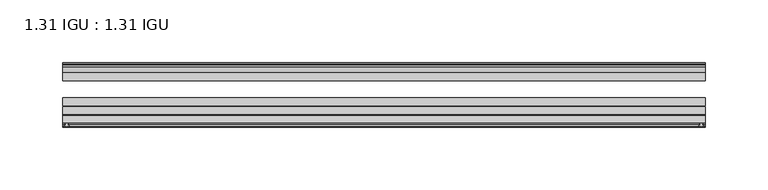
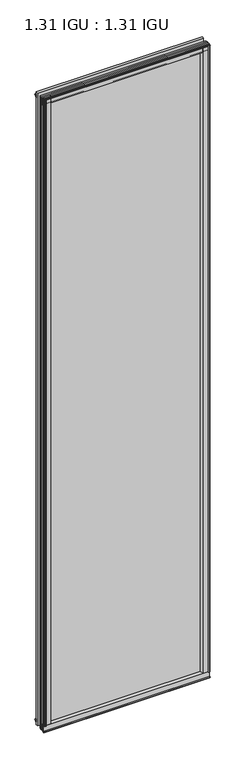
"""IFC4 building model written with IfcOpenShell, lengths in millimetres: plate geometry, 1.31 IGU : 1.31 IGU."""

from ifc_helpers import new_model, si_unit, point, frame, frame_2d, origin, origin_with_axes, place, context, project, spatial, polyline, circle_curve, trimmed, segment, composite_curve, outline, extrude, source, transform, mapped, element, save


def plate_1_31_igu_1_31_igu_02cb99a6(model_context):
    return source(origin(), model_context, "Body", "SweptSolid", [
        extrude(outline(composite_curve([segment(polyline([(251.596726, -57.6333938), (235.4119791, -57.6333938)]), True, "CONTINUOUS"), segment(trimmed(circle_curve(frame_2d((228.1172499, -57.6547678)), 7.2947605), [point((235.4119791, -57.6333938))], [point((231.6695905, -51.2833938))], True, "CARTESIAN"), True, "CONTINUOUS"), segment(polyline([(231.6695905, -51.2833938), (254.5400114, -51.2833938)]), True, "CONTINUOUS"), segment(trimmed(circle_curve(frame_2d((254.5400114, -52.0707938)), 0.7874), [point((254.5400114, -51.2833938))], [point((255.3215422, -51.9748338))], False, "CARTESIAN"), True, "CONTINUOUS"), segment(polyline([(255.3215422, -51.9748338), (256.016326, -57.6333938), (254.085926, -57.6333938), (253.628726, -59.624458), (254.6300879, -59.3561439), (254.873326, -60.263921), (252.841326, -60.8083938), (250.809326, -60.263921), (251.0525641, -59.3561439), (252.053926, -59.624458), (251.596726, -57.6333938)]), True, "CONTINUOUS")], self_intersect=False)), origin_with_axes(), (0.0, 0.0, 1.0), 2044.7),
        extrude(outline(composite_curve([segment(polyline([(-235.7096354, -57.6333937), (-251.8943823, -57.6333937), (-252.3515823, -59.624458), (-251.3502204, -59.3561439), (-251.1069823, -60.263921), (-253.1389823, -60.8083937), (-255.1709823, -60.263921), (-254.9277441, -59.3561439), (-253.9263823, -59.624458), (-254.3835823, -57.6333937), (-256.3139823, -57.6333937), (-255.6191985, -51.9748338)]), True, "CONTINUOUS"), segment(trimmed(circle_curve(frame_2d((-254.8376676, -52.0707937)), 0.7874), [point((-255.6191985, -51.9748338))], [point((-254.8376676, -51.2833937))], False, "CARTESIAN"), True, "CONTINUOUS"), segment(polyline([(-254.8376676, -51.2833937), (-231.9672467, -51.2833937)]), True, "CONTINUOUS"), segment(trimmed(circle_curve(frame_2d((-228.4149062, -57.6547678)), 7.2947605), [point((-231.9672467, -51.2833937))], [point((-235.7096354, -57.6333937))], True, "CARTESIAN"), True, "CONTINUOUS")], self_intersect=False)), origin_with_axes(), (0.0, 0.0, 1.0), 2044.7),
        extrude(outline(polyline([(-9.7543937, -6.8579998), (-10.4009552, -9.2709998), (-11.2596632, -9.0409097), (-10.8839895, -7.6388763), (-13.1833937, -8.3819998), (-13.1833937, -11.7850089), (-17.9585937, -10.1533914), (-17.9585937, 0.6595133), (-13.1833937, -0.5079998), (-13.1833937, -5.4609998), (-10.8839895, -6.0771233), (-11.2596632, -4.6750899), (-10.4009552, -4.4449998), (-9.7543937, -6.8579998)])), frame((-256.3471354, 0.0, 0.0), z_axis=(1.0, 0.0, 0.0), x_axis=(0.0, 1.0, 0.0)), (0.0, 0.0, 1.0), 512.3966145),
        extrude(outline(composite_curve([segment(polyline([(-51.9748338, -19.930016), (-57.6333937, -20.6247998), (-57.6333937, -18.6943998), (-59.624458, -18.2371998), (-59.3561439, -19.2385617), (-60.263921, -19.4817998), (-60.8083937, -17.4497998), (-60.263921, -15.4177998), (-59.3561439, -15.6610379), (-59.624458, -16.6623998), (-57.6333937, -16.2051998), (-57.6333937, 0.0127002)]), True, "CONTINUOUS"), segment(trimmed(circle_curve(frame_2d((-58.1588233, 7.9620141)), 7.9666598), [point((-57.6333937, 0.0127002))], [point((-51.2833937, 3.9375717))], True, "CARTESIAN"), True, "CONTINUOUS"), segment(polyline([(-51.2833937, 3.9375717), (-51.2833937, -19.1484852)]), True, "CONTINUOUS"), segment(trimmed(circle_curve(frame_2d((-52.0707937, -19.1484852)), 0.7874), [point((-51.2833937, -19.1484852))], [point((-51.9748338, -19.930016))], False, "CARTESIAN"), True, "CONTINUOUS")], self_intersect=False)), frame((-256.3471354, 0.0, 0.0), z_axis=(1.0, 0.0, 0.0), x_axis=(0.0, 1.0, 0.0)), (0.0, 0.0, 1.0), 512.3966145),
        extrude(outline(polyline([(-17.9585937, 2035.8033914), (-13.1833937, 2037.4350089), (-13.1833937, 2034.0319998), (-10.8839895, 2033.2888763), (-11.2596632, 2034.6909097), (-10.4009552, 2034.9209998), (-9.7543937, 2032.5079998), (-10.4009552, 2030.0949998), (-11.2596632, 2030.3250899), (-10.8839895, 2031.7271233), (-13.1833937, 2031.1109998), (-13.1833937, 2026.1579998), (-17.9585937, 2024.9904867), (-17.9585937, 2035.8033914)])), frame((-256.3471354, 0.0, 0.0), z_axis=(1.0, 0.0, 0.0), x_axis=(0.0, 1.0, 0.0)), (0.0, 0.0, 1.0), 512.3966145),
        extrude(outline(composite_curve([segment(trimmed(circle_curve(frame_2d((-52.0707937, 2044.7984852)), 0.7874), [point((-51.9748338, 2045.580016))], [point((-51.2833937, 2044.7984852))], False, "CARTESIAN"), True, "CONTINUOUS"), segment(polyline([(-51.2833937, 2044.7984852), (-51.2833937, 2021.7124283)]), True, "CONTINUOUS"), segment(trimmed(circle_curve(frame_2d((-58.1588233, 2017.6879859)), 7.9666598), [point((-51.2833937, 2021.7124283))], [point((-57.6333937, 2025.6372998))], True, "CARTESIAN"), True, "CONTINUOUS"), segment(polyline([(-57.6333937, 2025.6372998), (-57.6333937, 2041.8551998), (-59.624458, 2042.3123998), (-59.3561439, 2041.3110379), (-60.263921, 2041.0677998), (-60.8083937, 2043.0997998), (-60.263921, 2045.1317998), (-59.3561439, 2044.8885617), (-59.624458, 2043.8871998), (-57.6333937, 2044.3443998), (-57.6333937, 2046.2747998), (-51.9748338, 2045.580016)]), True, "CONTINUOUS")], self_intersect=False)), frame((-256.3471354, 0.0, 0.0), z_axis=(1.0, 0.0, 0.0), x_axis=(0.0, 1.0, 0.0)), (0.0, 0.0, 1.0), 512.3966145),
        extrude(outline(polyline([(-244.9360116, -10.8839895), (-246.338045, -11.2596632), (-246.5681352, -10.4009552), (-244.1551352, -9.7543937), (-241.7421352, -10.4009552), (-241.9722253, -11.2596632), (-243.3742587, -10.8839895), (-242.7581352, -13.1833937), (-237.8051352, -13.1833937), (-236.637622, -17.9585937), (-247.4505268, -17.9585937), (-249.0821443, -13.1833937), (-245.6791352, -13.1833937), (-244.9360116, -10.8839895)])), origin_with_axes(), (0.0, 0.0, 1.0), 2025.65),
        extrude(outline(polyline([(244.9487118, -10.8839895), (245.6918354, -13.1833937), (249.0948445, -13.1833937), (247.463227, -17.9585937), (236.6503223, -17.9585937), (237.8178354, -13.1833937), (242.7708354, -13.1833937), (243.3869589, -10.8839895), (241.9849255, -11.2596632), (241.7548354, -10.4009552), (244.1678354, -9.7543937), (246.5808354, -10.4009552), (246.3507452, -11.2596632), (244.9487118, -10.8839895)])), origin_with_axes(), (0.0, 0.0, 1.0), 2025.65),
        extrude(outline(polyline([(256.0494791, -17.9585937), (256.0494791, -24.3085937), (-256.3471354, -24.3085937), (-256.3471354, -17.9585937), (256.0494791, -17.9585937)])), frame((0.0, 0.0, -19.0372998), z_axis=(0.0, 0.0, 1.0), x_axis=(1.0, 0.0, 0.0)), (0.0, 0.0, 1.0), 2063.7372998),
        extrude(outline(polyline([(-256.3471354, -44.1459937), (-256.3471354, -37.7959937), (256.0494791, -37.7959937), (256.0494791, -44.1459937), (-256.3471354, -44.1459937)])), frame((0.0, 0.0, -19.0372998), z_axis=(0.0, 0.0, 1.0), x_axis=(1.0, 0.0, 0.0)), (0.0, 0.0, 1.0), 2063.7372998),
        extrude(outline(polyline([(-256.3471354, -51.2833937), (-256.3471354, -44.9333937), (256.0494791, -44.9333937), (256.0494791, -51.2833937), (-256.3471354, -51.2833937)])), frame((0.0, 0.0, -19.0372998), z_axis=(0.0, 0.0, 1.0), x_axis=(1.0, 0.0, 0.0)), (0.0, 0.0, 1.0), 2063.7372998),
    ])


if __name__ == "__main__":
    model = new_model("IFC4")
    model_context = context("Model", 3, world=origin())
    ifc_project = project(units=[si_unit("LENGTHUNIT", "METRE", prefix="MILLI")], contexts=[model_context])
    site = spatial("IfcSite", under=ifc_project)
    building = spatial("IfcBuilding", under=site)
    placement = place(None, origin())
    plate_1_31_igu_1_31_igu_shape = plate_1_31_igu_1_31_igu_02cb99a6(model_context)
    element("IfcPlate", 1, ObjectType="1.31 IGU : 1.31 IGU", at=placement, inside=building, context=model_context, shape_type="MappedRepresentation", body=[
        mapped(plate_1_31_igu_1_31_igu_shape, transform((0.0, 0.0, 0.0), x_axis=(1.0, 0.0, 0.0), y_axis=(0.0, 1.0, 0.0), z_axis=(0.0, 0.0, 1.0))),
    ])
    save(model, "model.ifc")
